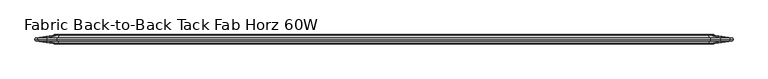
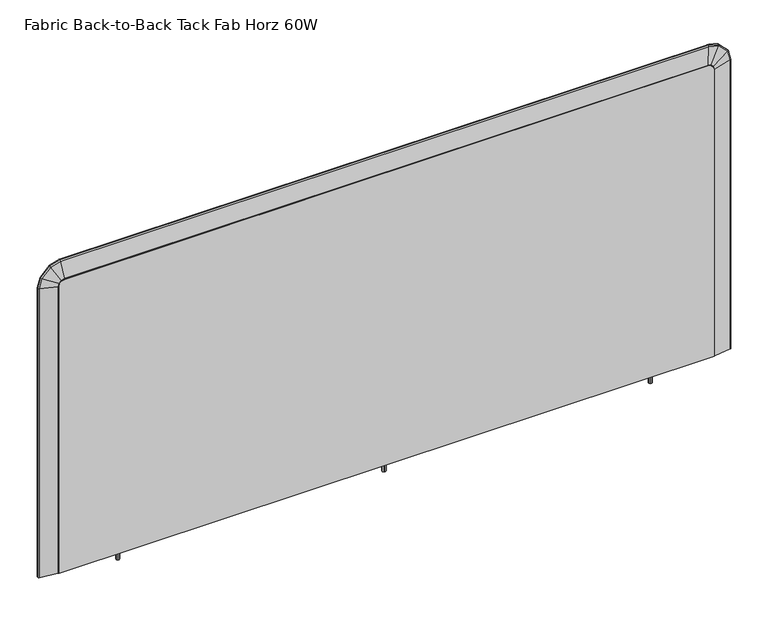
"""IFC4 building model written with IfcOpenShell, lengths in millimetres: furniture geometry, Fabric Back-to-Back Tack Fab Horz 60W."""

from ifc_helpers import new_model, si_unit, frame, origin, place, context, project, spatial, polyline, circle_curve, ellipse_curve, outline, extrude, faceted_brep, source, transform, mapped, element, save
from ifc_brep_helpers import plane_surface, cylinder_surface, advanced_brep


def fabric_back_to_back_tack_fab_horz_60w_10ceb5c6(model_context):
    return source(origin(), model_context, "Body", "SolidModel", [
        faceted_brep([(182.0608047, -24.5352982, 459.8223955), (182.0608047, -38.5848849, 459.8223955), (161.465212, -38.5848849, 459.8223955), (161.465212, -24.5352982, 459.8223955), (161.465212, -24.5352982, 453.564432), (182.0608047, -24.5352982, 453.564432), (161.465212, -38.5848849, 453.564432), (182.0608047, -38.5848849, 453.564432), (41.35374, -21.6312787, 453.564432), (41.35374, -21.6312787, 1111.5510233), (43.0552145, -21.6312787, 1117.9009991), (47.7037408, -21.6312787, 1122.5494799), (54.0537392, -21.6312787, 1124.2509748), (1451.0537158, -21.6312787, 1124.2509748), (1457.4036916, -21.6312787, 1122.5494799), (1462.052245, -21.6312787, 1117.9009991), (1463.75374, -21.6312787, 1111.5510233), (1463.75374, -21.6312787, 453.564432), (41.35374, -41.6655198, 453.564432), (1463.75374, -41.6655198, 453.564432), (1463.75374, -41.6655198, 1111.5510233), (1462.052245, -41.6655198, 1117.9009991), (1457.4036916, -41.6655198, 1122.5494799), (1451.0537158, -41.6655198, 1124.2509748), (54.0537392, -41.6655198, 1124.2509748), (47.7037408, -41.6655198, 1122.5494799), (43.0552145, -41.6655198, 1117.9009991), (41.35374, -41.6655198, 1111.5510233), (765.0618407, -24.5352982, 453.564432), (739.691048, -24.5352982, 453.564432), (739.691048, -38.5848849, 453.564432), (765.0618407, -38.5848849, 453.564432), (1343.4452878, -24.5352982, 453.564432), (1318.0744951, -24.5352982, 453.564432), (1318.0744951, -38.5848849, 453.564432), (1343.4452878, -38.5848849, 453.564432), (739.691048, -24.5352982, 459.8223955), (765.0618407, -24.5352982, 459.8223955), (765.0618407, -38.5848849, 459.8223955), (739.691048, -38.5848849, 459.8223955), (1318.0744951, -24.5352982, 459.8223955), (1343.4452878, -24.5352982, 459.8223955), (1343.4452878, -38.5848849, 459.8223955), (1318.0744951, -38.5848849, 459.8223955)], [[[0, 1, 2, 3]], [[0, 3, 4, 5]], [[3, 2, 6, 4]], [[2, 1, 7, 6]], [[1, 0, 5, 7]], [[8, 9, 10, 11, 12, 13, 14, 15, 16, 17]], [[18, 19, 20, 21, 22, 23, 24, 25, 26, 27]], [[9, 8, 18, 27]], [[10, 9, 27, 26]], [[11, 10, 26, 25]], [[12, 11, 25, 24]], [[13, 12, 24, 23]], [[14, 13, 23, 22]], [[15, 14, 22, 21]], [[16, 15, 21, 20]], [[17, 16, 20, 19]], [[8, 17, 19, 18], [5, 4, 6, 7], [28, 29, 30, 31], [32, 33, 34, 35]], [[36, 37, 38, 39]], [[37, 36, 29, 28]], [[38, 37, 28, 31]], [[39, 38, 31, 30]], [[36, 39, 30, 29]], [[40, 41, 42, 43]], [[41, 40, 33, 32]], [[42, 41, 32, 35]], [[43, 42, 35, 34]], [[40, 43, 34, 33]]]),
        extrude(outline(polyline([(1329.8115069, -27.7980412), (1332.8230782, -28.1945209), (1334.6722204, -30.6043713), (1334.2757329, -33.6159343), (1331.8658873, -35.4650775), (1328.854316, -35.0685977), (1327.0051738, -32.6587474), (1327.4016613, -29.6471844), (1329.8115069, -27.7980412)]), holes=[polyline([(1329.8826636, -28.0636008), (1327.6397553, -29.7846483), (1327.2707337, -32.5875912), (1328.9917799, -34.8305034), (1331.7947306, -35.1995178), (1334.0376389, -33.4784704), (1334.4066605, -30.6755274), (1332.6856143, -28.4326153), (1329.8826636, -28.0636008)])]), frame((0.0, 0.0, 433.5018), z_axis=(0.0, 0.0, 1.0), x_axis=(1.0, 0.0, 0.0)), (0.0, 0.0, 1.0), 26.3205955),
        extrude(outline(polyline([(173.0545058, -27.7980412), (176.0660771, -28.1945209), (177.9152193, -30.6043713), (177.5187318, -33.6159343), (175.1088862, -35.4650775), (172.0973149, -35.0685977), (170.2481727, -32.6587474), (170.6446602, -29.6471844), (173.0545058, -27.7980412)]), holes=[polyline([(173.1256625, -28.0636008), (170.8827542, -29.7846483), (170.5137326, -32.5875912), (172.2347788, -34.8305034), (175.0377295, -35.1995178), (177.2806378, -33.4784704), (177.6496594, -30.6755274), (175.9286132, -28.4326153), (173.1256625, -28.0636008)])]), frame((0.0, 0.0, 433.5018), z_axis=(0.0, 0.0, 1.0), x_axis=(1.0, 0.0, 0.0)), (0.0, 0.0, 1.0), 26.3205955),
        extrude(outline(polyline([(751.4280597, -27.7980412), (754.439631, -28.1945209), (756.2887732, -30.6043713), (755.8922858, -33.6159343), (753.4824401, -35.4650775), (750.4708689, -35.0685977), (748.6217266, -32.6587474), (749.0182141, -29.6471844), (751.4280597, -27.7980412)]), holes=[polyline([(751.4992164, -28.0636008), (749.2563081, -29.7846483), (748.8872866, -32.5875912), (750.6083327, -34.8305034), (753.4112834, -35.1995178), (755.6541917, -33.4784704), (756.0232133, -30.6755274), (754.3021672, -28.4326153), (751.4992164, -28.0636008)])]), frame((0.0, 0.0, 433.5018), z_axis=(0.0, 0.0, 1.0), x_axis=(1.0, 0.0, 0.0)), (0.0, 0.0, 1.0), 26.3205955),
        advanced_brep(
        [(41.35374, -40.3955198, 452.770682), (40.527722, -40.3955198, 452.770682), (39.2303702, -40.3003466, 452.770682), (2.1950955, -34.8371601, 452.770682), (0.2344281, -32.1683735, 452.770682), (1.4359994, -31.9712076, 452.770682), (0.2308623, -31.6483991, 452.770682), (2.1917528, -29.0070421, 452.770682), (39.1963882, -23.5483754, 452.770682), (40.4937399, -23.4532022, 452.770682), (41.35374, -23.4532022, 452.770682), (1463.75374, -40.3955198, 452.770682), (1463.75374, -23.4532022, 452.770682), (1464.6137401, -23.4532022, 452.770682), (1465.9110918, -23.5483754, 452.770682), (1502.9157272, -29.0070421, 452.770682), (1504.8766177, -31.6483991, 452.770682), (1503.6714806, -31.9712076, 452.770682), (1504.8730519, -32.1683735, 452.770682), (1502.9123845, -34.8371601, 452.770682), (1465.8771098, -40.3003466, 452.770682), (1464.579758, -40.3955198, 452.770682), (1463.75374, -40.3955198, 1110.7572733), (1463.75374, -23.4532022, 1110.7572733), (1462.052245, -23.4532022, 1117.1072491), (1457.4036916, -23.4532022, 1121.7557299), (1451.0537158, -23.4532022, 1123.4572248), (54.0537392, -23.4532022, 1123.4572248), (47.7037408, -23.4532022, 1121.7557299), (43.0552145, -23.4532022, 1117.1072491), (41.35374, -23.4532022, 1110.7572733), (40.4937399, -23.4532022, 1110.8704947), (42.2841603, -23.4532022, 1117.5524202), (47.2585733, -23.4532022, 1122.5267846), (53.9405169, -23.4532022, 1124.3172249), (1451.1669385, -23.4532022, 1124.3172249), (1457.848858, -23.4532022, 1122.5267846), (1462.8232979, -23.4532022, 1117.5524225), (1464.6137401, -23.4532022, 1110.870496), (1465.9110918, -23.5483754, 1111.0412979), (1502.9157272, -29.0070421, 1115.9131172), (1504.8766177, -31.6483991, 1116.1712769), (1503.6714806, -31.9712076, 1116.0126154), (1504.8730519, -32.1683735, 1116.1708075), (1502.9123845, -34.8371601, 1115.9126772), (1465.8771098, -40.3003466, 1111.036824), (1464.579758, -40.3955198, 1110.8660221), (1462.7928305, -40.3955198, 1117.5348319), (1457.8312677, -40.3955198, 1122.4963171), (1451.1624646, -40.3955198, 1124.2832429), (53.9449908, -40.3955198, 1124.2832429), (47.2761636, -40.3955198, 1122.4963171), (42.3146278, -40.3955198, 1117.5348297), (40.527722, -40.3955198, 1110.8660209), (41.35374, -40.3955198, 1110.7572733), (43.0552145, -40.3955198, 1117.1072491), (47.7037408, -40.3955198, 1121.7557299), (54.0537392, -40.3955198, 1123.4572248), (1451.0537158, -40.3955198, 1123.4572248), (1457.4036916, -40.3955198, 1121.7557299), (1462.052245, -40.3955198, 1117.1072491), (1463.9864685, -23.5483754, 1118.2239882), (1497.1638272, -29.0070421, 1137.3791963), (1498.9219087, -31.6483991, 1138.3942385), (1497.8414153, -31.9712076, 1137.7704072), (1498.9187118, -32.1683735, 1138.3923927), (1497.1608302, -34.8371601, 1137.377466), (1463.9560011, -40.3003466, 1118.2063976), (1458.5204132, -23.5483754, 1123.689958), (1477.6753219, -29.0070421, 1156.8673969), (1478.6903482, -31.6483991, 1158.6254827), (1478.0665266, -31.9712076, 1157.5449867), (1478.6885024, -32.1683735, 1158.6222858), (1477.6735916, -34.8371601, 1156.8643999), (1458.5028229, -40.3003466, 1123.6594906), (1451.3377404, -23.5483754, 1125.6145767), (1456.2095597, -29.0070421, 1162.619212), (1456.4677194, -31.6483991, 1164.5801025), (1456.3090579, -31.9712076, 1163.3749655), (1456.46725, -32.1683735, 1164.5765368), (1456.2091197, -34.8371601, 1162.6158693), (1451.3332665, -40.3003466, 1125.5805946), (53.7697156, -23.5483754, 1125.6145767), (48.8979131, -29.0070421, 1162.619212), (48.6397543, -31.6483991, 1164.5801025), (48.7984152, -31.9712076, 1163.3749655), (48.6402238, -32.1683735, 1164.5765368), (48.8983532, -34.8371601, 1162.6158693), (53.7741895, -40.3003466, 1125.5805946), (46.5870166, -23.5483754, 1123.6899579), (27.4320643, -29.0070421, 1156.8673943), (26.4170356, -31.6483991, 1158.62548), (27.0408586, -31.9712076, 1157.544984), (26.4188814, -32.1683735, 1158.622283), (27.4337946, -34.8371601, 1156.8643973), (46.6046069, -40.3003466, 1123.6594904), (41.1209877, -23.5483754, 1118.2239824), (7.9435719, -29.0070421, 1137.3790923), (6.1854873, -31.6483991, 1138.3941293), (7.2659826, -31.9712076, 1137.7703012), (6.1886843, -32.1683735, 1138.3922835), (7.9465689, -34.8371601, 1137.377362), (41.1514552, -40.3003466, 1118.2063919), (39.1963882, -23.5483754, 1111.0412946), (2.1917528, -29.0070421, 1115.9130574), (0.2308623, -31.6483991, 1116.1712141), (1.4359994, -31.9712076, 1116.0125545), (0.2344281, -32.1683735, 1116.1707447), (2.1950955, -34.8371601, 1115.9126174), (39.2303702, -40.3003466, 1111.0368208)],
        [
            (0, 1),
            (1, 2, circle_curve(frame((40.527722, -31.5055198, 452.770682), z_axis=(0.0, 0.0, -1.0), x_axis=(1.0, 0.0, 0.0)), 8.89)),
            (2, 3),
            (3, 4, circle_curve(frame((2.5350157, -32.5328209, 452.770682), z_axis=(0.0, 0.0, -1.0), x_axis=(1.0, 0.0, 0.0)), 2.3292757)),
            (4, 5),
            (5, 6),
            (6, 7, circle_curve(frame((2.5311018, -31.3075093, 452.770682), z_axis=(0.0, 0.0, -1.0), x_axis=(1.0, 0.0, 0.0)), 2.3253618)),
            (7, 8),
            (8, 9, circle_curve(frame((40.4937399, -32.3432022, 452.770682), z_axis=(0.0, 0.0, -1.0), x_axis=(1.0, 0.0, 0.0)), 8.89)),
            (9, 10),
            (10, 0),
            (11, 12),
            (12, 13),
            (13, 14, circle_curve(frame((1464.6137401, -32.3432022, 452.770682), z_axis=(0.0, 0.0, -1.0), x_axis=(-1.0, 0.0, 0.0)), 8.89)),
            (14, 15),
            (15, 16, circle_curve(frame((1502.5763782, -31.3075093, 452.770682), z_axis=(0.0, 0.0, -1.0), x_axis=(-1.0, 0.0, 0.0)), 2.3253618)),
            (16, 17),
            (17, 18),
            (18, 19, circle_curve(frame((1502.5724643, -32.5328209, 452.770682), z_axis=(0.0, 0.0, -1.0), x_axis=(-1.0, 0.0, 0.0)), 2.3292757)),
            (19, 20),
            (20, 21, circle_curve(frame((1464.579758, -31.5055198, 452.770682), z_axis=(0.0, 0.0, -1.0), x_axis=(-1.0, 0.0, 0.0)), 8.89)),
            (21, 11),
            (11, 22),
            (22, 23),
            (23, 12),
            (23, 24),
            (24, 25),
            (25, 26),
            (26, 27),
            (27, 28),
            (28, 29),
            (29, 30),
            (30, 10),
            (9, 31),
            (31, 32),
            (32, 33),
            (33, 34),
            (34, 35),
            (35, 36),
            (36, 37),
            (37, 38),
            (38, 13),
            (38, 39, ellipse_curve(frame((1464.6137401, -32.3432022, 1110.870496), z_axis=(0.13052794748771984, 0.0, -0.9914446302868573), x_axis=(-0.9914446302868571, 0.0, -0.13052794748771981)), 8.9667135, 8.89)),
            (39, 14),
            (39, 40),
            (40, 15),
            (40, 41, ellipse_curve(frame((1502.5763782, -31.3075093, 1115.8684405), z_axis=(0.13052794748771984, 0.0, -0.9914446302868573), x_axis=(-0.9914446302868571, 0.0, -0.13052794748771981)), 2.3454278, 2.3253618)),
            (41, 16),
            (41, 42),
            (42, 17),
            (42, 43),
            (43, 18),
            (43, 44, ellipse_curve(frame((1502.5724643, -32.5328209, 1115.8679252), z_axis=(0.13052794748771984, 0.0, -0.9914446302868573), x_axis=(-0.9914446302868571, 0.0, -0.13052794748771981)), 2.3493754, 2.3292757)),
            (44, 19),
            (44, 45),
            (45, 20),
            (45, 46, ellipse_curve(frame((1464.579758, -31.5055198, 1110.8660221), z_axis=(0.13052794748771984, 0.0, -0.9914446302868573), x_axis=(-0.9914446302868571, 0.0, -0.13052794748771981)), 8.9667135, 8.89)),
            (46, 21),
            (46, 47),
            (47, 48),
            (48, 49),
            (49, 50),
            (50, 51),
            (51, 52),
            (52, 53),
            (53, 1),
            (0, 54),
            (54, 55),
            (55, 56),
            (56, 57),
            (57, 58),
            (58, 59),
            (59, 60),
            (60, 22),
            (60, 24),
            (37, 61, ellipse_curve(frame((1462.8232979, -32.3432022, 1117.5524225), z_axis=(0.5000049178459374, 0.0, -0.866022564446145), x_axis=(-0.8660225644461449, 0.0, -0.5000049178459376)), 9.2036105, 8.89)),
            (61, 39),
            (61, 62),
            (62, 40),
            (62, 63, ellipse_curve(frame((1496.859576, -31.3075093, 1137.2035345), z_axis=(0.5000049178459374, 0.0, -0.866022564446145), x_axis=(-0.8660225644461449, 0.0, -0.5000049178459376)), 2.407393, 2.3253618)),
            (63, 41),
            (63, 64),
            (64, 42),
            (64, 65),
            (65, 43),
            (65, 66, ellipse_curve(frame((1496.856067, -32.5328209, 1137.2015086), z_axis=(0.5000049178459374, 0.0, -0.866022564446145), x_axis=(-0.8660225644461449, 0.0, -0.5000049178459376)), 2.411445, 2.3292757)),
            (66, 44),
            (66, 67),
            (67, 45),
            (67, 47, ellipse_curve(frame((1462.7928305, -31.5055198, 1117.5348319), z_axis=(0.5000049178459374, 0.0, -0.866022564446145), x_axis=(-0.8660225644461449, 0.0, -0.5000049178459376)), 9.2036105, 8.89)),
            (59, 25),
            (36, 68, ellipse_curve(frame((1457.848858, -32.3432022, 1122.5267846), z_axis=(0.8660264726874803, 0.0, -0.4999981486010532), x_axis=(-0.49999814860105307, 0.0, -0.8660264726874802)), 9.2035912, 8.89)),
            (68, 61),
            (68, 69),
            (69, 62),
            (69, 70, ellipse_curve(frame((1477.4996629, -31.3075093, 1156.5631451), z_axis=(0.8660264726874803, 0.0, -0.4999981486010532), x_axis=(-0.49999814860105307, 0.0, -0.8660264726874802)), 2.407388, 2.3253618)),
            (70, 63),
            (70, 71),
            (71, 64),
            (71, 72),
            (72, 65),
            (72, 73, ellipse_curve(frame((1477.4976369, -32.5328209, 1156.559636), z_axis=(0.8660264726874803, 0.0, -0.4999981486010532), x_axis=(-0.49999814860105307, 0.0, -0.8660264726874802)), 2.4114399, 2.3292757)),
            (73, 66),
            (73, 74),
            (74, 67),
            (74, 48, ellipse_curve(frame((1457.8312677, -31.5055198, 1122.4963171), z_axis=(0.8660264726874803, 0.0, -0.4999981486010532), x_axis=(-0.49999814860105307, 0.0, -0.8660264726874802)), 9.2035912, 8.89)),
            (58, 26),
            (35, 75, ellipse_curve(frame((1451.1669385, -32.3432022, 1124.3172249), z_axis=(0.9914446302854739, 0.0, -0.13052794749822796), x_axis=(-0.13052794749823027, 0.0, -0.9914446302854736)), 8.9667135, 8.89)),
            (75, 68),
            (75, 76),
            (76, 69),
            (76, 77, ellipse_curve(frame((1456.164883, -31.3075093, 1162.2798631), z_axis=(0.9914446302854739, 0.0, -0.13052794749822796), x_axis=(-0.13052794749823027, 0.0, -0.9914446302854736)), 2.3454278, 2.3253618)),
            (77, 70),
            (77, 78),
            (78, 71),
            (78, 79),
            (79, 72),
            (79, 80, ellipse_curve(frame((1456.1643677, -32.5328209, 1162.2759492), z_axis=(0.9914446302854739, 0.0, -0.13052794749822796), x_axis=(-0.13052794749823027, 0.0, -0.9914446302854736)), 2.3493754, 2.3292757)),
            (80, 73),
            (80, 81),
            (81, 74),
            (81, 49, ellipse_curve(frame((1451.1624646, -31.5055198, 1124.2832429), z_axis=(0.9914446302854739, 0.0, -0.13052794749822796), x_axis=(-0.13052794749823027, 0.0, -0.9914446302854736)), 8.9667135, 8.89)),
            (57, 27),
            (34, 82, ellipse_curve(frame((53.9405169, -32.3432022, 1124.3172249), z_axis=(0.9914446886366662, 0.0, 0.13052750428221654), x_axis=(0.13052750428221557, 0.0, -0.9914446886366662)), 8.966713, 8.89)),
            (82, 75),
            (82, 83),
            (83, 76),
            (83, 84, ellipse_curve(frame((48.9425897, -31.3075093, 1162.2798631), z_axis=(0.9914446886366662, 0.0, 0.13052750428221654), x_axis=(0.13052750428221557, 0.0, -0.9914446886366662)), 2.3454276, 2.3253618)),
            (84, 77),
            (84, 85),
            (85, 78),
            (85, 86),
            (86, 79),
            (86, 87, ellipse_curve(frame((48.943105, -32.5328209, 1162.2759492), z_axis=(0.9914446886366662, 0.0, 0.13052750428221654), x_axis=(0.13052750428221557, 0.0, -0.9914446886366662)), 2.3493753, 2.3292757)),
            (87, 80),
            (87, 88),
            (88, 81),
            (88, 50, ellipse_curve(frame((53.9449908, -31.5055198, 1124.2832429), z_axis=(0.9914446886366662, 0.0, 0.13052750428221654), x_axis=(0.13052750428221557, 0.0, -0.9914446886366662)), 8.966713, 8.89)),
            (56, 28),
            (33, 89, ellipse_curve(frame((47.2585733, -32.3432022, 1122.5267846), z_axis=(0.8660259634188124, 0.0, 0.4999990306835782), x_axis=(0.4999990306835778, 0.0, -0.8660259634188127)), 9.203596, 8.89)),
            (89, 82),
            (89, 90),
            (90, 83),
            (90, 91, ellipse_curve(frame((27.6077237, -31.3075093, 1156.5631424), z_axis=(0.8660259634188124, 0.0, 0.4999990306835782), x_axis=(0.4999990306835778, 0.0, -0.8660259634188127)), 2.4073892, 2.3253618)),
            (91, 84),
            (91, 92),
            (92, 85),
            (92, 93),
            (93, 86),
            (93, 94, ellipse_curve(frame((27.6097497, -32.5328209, 1156.5596333), z_axis=(0.8660259634188124, 0.0, 0.4999990306835782), x_axis=(0.4999990306835778, 0.0, -0.8660259634188127)), 2.4114412, 2.3292757)),
            (94, 87),
            (94, 95),
            (95, 88),
            (95, 51, ellipse_curve(frame((47.2761636, -31.5055198, 1122.4963171), z_axis=(0.8660259634188124, 0.0, 0.4999990306835782), x_axis=(0.4999990306835778, 0.0, -0.8660259634188127)), 9.203596, 8.89)),
            (55, 29),
            (32, 96, ellipse_curve(frame((42.2841603, -32.3432022, 1117.5524202), z_axis=(0.5000023482671835, 0.0, 0.8660240480075033), x_axis=(0.8660240480075028, 0.0, -0.5000023482671844)), 9.2036106, 8.89)),
            (96, 89),
            (96, 97),
            (97, 90),
            (97, 98, ellipse_curve(frame((8.2478236, -31.3075093, 1137.2034315), z_axis=(0.5000023482671835, 0.0, 0.8660240480075033), x_axis=(0.8660240480075028, 0.0, -0.5000023482671844)), 2.4073931, 2.3253618)),
            (98, 91),
            (98, 99),
            (99, 92),
            (99, 100),
            (100, 93),
            (100, 101, ellipse_curve(frame((8.2513326, -32.5328209, 1137.2014055), z_axis=(0.5000023482671835, 0.0, 0.8660240480075033), x_axis=(0.8660240480075028, 0.0, -0.5000023482671844)), 2.411445, 2.3292757)),
            (101, 94),
            (101, 102),
            (102, 95),
            (102, 52, ellipse_curve(frame((42.3146278, -31.5055198, 1117.5348297), z_axis=(0.5000023482671835, 0.0, 0.8660240480075033), x_axis=(0.8660240480075028, 0.0, -0.5000023482671844)), 9.2036106, 8.89)),
            (54, 30),
            (31, 103, ellipse_curve(frame((40.4937399, -32.3432022, 1110.8704947), z_axis=(0.13052645881328245, 0.0, 0.9914448262761093), x_axis=(0.9914448262761093, 0.0, -0.13052645881328306)), 8.9667118, 8.89)),
            (103, 96),
            (103, 104),
            (104, 97),
            (104, 105, ellipse_curve(frame((2.5311018, -31.3075093, 1115.8683812), z_axis=(0.13052645881328245, 0.0, 0.9914448262761093), x_axis=(0.9914448262761093, 0.0, -0.13052645881328306)), 2.3454273, 2.3253618)),
            (105, 98),
            (105, 106),
            (106, 99),
            (106, 107),
            (107, 100),
            (107, 108, ellipse_curve(frame((2.5350157, -32.5328209, 1115.8678659), z_axis=(0.13052645881328245, 0.0, 0.9914448262761093), x_axis=(0.9914448262761093, 0.0, -0.13052645881328306)), 2.349375, 2.3292757)),
            (108, 101),
            (108, 109),
            (109, 102),
            (109, 53, ellipse_curve(frame((40.527722, -31.5055198, 1110.8660209), z_axis=(0.13052645881328245, 0.0, 0.9914448262761093), x_axis=(0.9914448262761093, 0.0, -0.13052645881328306)), 8.9667118, 8.89)),
            (8, 103),
            (7, 104),
            (6, 105),
            (5, 106),
            (4, 107),
            (3, 108),
            (2, 109),
        ],
        [
            plane_surface(frame((41.35374, -22.3842497, 452.770682), z_axis=(0.0, 0.0, -1.0), x_axis=(0.0, -1.0, 0.0))),
            plane_surface(frame((1463.75374, -22.3842497, 452.770682), z_axis=(0.0, 0.0, -1.0), x_axis=(0.0, -1.0, 0.0))),
            plane_surface(frame((1463.75374, -40.3955198, 452.770682), z_axis=(-1.0, 0.0, 0.0), x_axis=(0.0, 0.0, 1.0))),
            plane_surface(frame((1463.75374, -23.4532022, 452.770682), z_axis=(0.0, 1.0, 0.0), x_axis=(0.0, 0.0, 1.0))),
            cylinder_surface(frame((1464.6137401, -32.3432022, 452.770682), z_axis=(0.0, 0.0, -1.0), x_axis=(-1.0, 0.0, 0.0)), 8.89),
            plane_surface(frame((1465.9110918, -23.5483754, 452.770682), z_axis=(0.14593382959754855, 0.989294353253365, 0.0), x_axis=(0.0, 0.0, 1.0))),
            cylinder_surface(frame((1502.5763782, -31.3075093, 452.770682), z_axis=(0.0, 0.0, -1.0), x_axis=(-1.0, 0.0, 0.0)), 2.3253618),
            plane_surface(frame((1504.8766177, -31.6483991, 452.770682), z_axis=(0.2587390196457306, -0.9659472654926697, 0.0), x_axis=(0.0, 0.0, 1.0))),
            plane_surface(frame((1503.6714806, -31.9712076, 452.770682), z_axis=(0.16192456545824982, 0.9868031389801905, 0.0), x_axis=(0.0, 0.0, 1.0))),
            cylinder_surface(frame((1502.5724643, -32.5328209, 452.770682), z_axis=(0.0, 0.0, -1.0), x_axis=(-1.0, 0.0, 0.0)), 2.3292757),
            plane_surface(frame((1502.9123845, -34.8371601, 452.770682), z_axis=(0.14593382959753975, -0.9892943532533662, 0.0), x_axis=(0.0, 0.0, 1.0))),
            cylinder_surface(frame((1464.579758, -31.5055198, 452.770682), z_axis=(0.0, 0.0, -1.0), x_axis=(-1.0, 0.0, 0.0)), 8.89),
            plane_surface(frame((1464.579758, -40.3955198, 452.770682), z_axis=(0.0, -1.0, 0.0), x_axis=(0.0, 0.0, 1.0))),
            plane_surface(frame((1463.75374, -40.3955198, 1110.7572733), z_axis=(-0.9659249098492917, 0.0, -0.2588224652781086), x_axis=(-0.2588224652781086, 0.0, 0.9659249098492917))),
            cylinder_surface(frame((1464.5844355, -32.3432022, 1110.9798606), z_axis=(0.2588224652781293, 0.0, -0.9659249098492861), x_axis=(-0.9659249098492861, 0.0, -0.2588224652781293)), 8.89),
            plane_surface(frame((1465.9110918, -23.5483754, 1111.0412979), z_axis=(0.14096112119797327, 0.9892943532533651, 0.03777095354391726), x_axis=(-0.2588224652781301, 0.0, 0.965924909849286))),
            cylinder_surface(frame((1501.2534933, -31.3075093, 1120.8054442), z_axis=(0.2588224652781293, 0.0, -0.9659249098492861), x_axis=(-0.9659249098492861, 0.0, -0.2588224652781293)), 2.3253618),
            plane_surface(frame((1504.8766177, -31.6483991, 1116.1712769), z_axis=(0.24992246422579498, -0.96594726549267, 0.06696747092835308), x_axis=(-0.25882246527813013, 0.0, 0.9659249098492859))),
            plane_surface(frame((1503.6714806, -31.9712076, 1116.0126154), z_axis=(0.15640697129264508, 0.9868031389801905, 0.041909715220994744), x_axis=(-0.2588224652781263, 0.0, 0.965924909849287))),
            cylinder_surface(frame((1501.2497128, -32.5328209, 1120.8044312), z_axis=(0.2588224652781293, 0.0, -0.9659249098492861), x_axis=(-0.9659249098492861, 0.0, -0.2588224652781293)), 2.3292757),
            plane_surface(frame((1502.9123845, -34.8371601, 1115.9126772), z_axis=(0.14096112119796478, -0.9892943532533663, 0.03777095354391196), x_axis=(-0.2588224652781257, 0.0, 0.9659249098492871))),
            cylinder_surface(frame((1464.5516114, -31.5055198, 1110.9710653), z_axis=(0.2588224652781293, 0.0, -0.9659249098492861), x_axis=(-0.9659249098492861, 0.0, -0.2588224652781293)), 8.89),
            plane_surface(frame((1462.052245, -40.3955198, 1117.1072491), z_axis=(-0.707101254086499, 0.0, -0.7071123082433938), x_axis=(-0.7071123082433938, 0.0, 0.707101254086499))),
            cylinder_surface(frame((1462.6603522, -32.3432022, 1117.7153657), z_axis=(0.707112308243394, 0.0, -0.7071012540864988), x_axis=(-0.7071012540864988, 0.0, -0.707112308243394)), 8.89),
            plane_surface(frame((1463.9864685, -23.5483754, 1118.2239882), z_axis=(0.10318999392207098, 0.9892943532533648, 0.10319160709752329), x_axis=(-0.7071123082434012, 0.0, 0.7071012540864917))),
            cylinder_surface(frame((1489.5037812, -31.3075093, 1144.5592144), z_axis=(0.707112308243394, 0.0, -0.7071012540864988), x_axis=(-0.7071012540864988, 0.0, -0.707112308243394)), 2.3253618),
            plane_surface(frame((1498.9219087, -31.6483991, 1138.3942385), z_axis=(0.18295468527260708, -0.9659472654926701, 0.1829575454143243), x_axis=(-0.7071123082433954, 0.0, 0.7071012540864974))),
            plane_surface(frame((1497.8414153, -31.9712076, 1137.7704072), z_axis=(0.11449706330293918, 0.9868031389801903, 0.11449885324249381), x_axis=(-0.7071123082433963, 0.0, 0.7071012540864965))),
            cylinder_surface(frame((1489.5010137, -32.5328209, 1144.5564468), z_axis=(0.707112308243394, 0.0, -0.7071012540864988), x_axis=(-0.7071012540864988, 0.0, -0.707112308243394)), 2.3292757),
            plane_surface(frame((1497.1608302, -34.8371601, 1137.377466), z_axis=(0.10318999392206564, -0.9892943532533665, 0.10319160709751311), x_axis=(-0.7071123082433958, 0.0, 0.707101254086497))),
            cylinder_surface(frame((1462.6363234, -31.5055198, 1117.6913366), z_axis=(0.707112308243394, 0.0, -0.7071012540864988), x_axis=(-0.7071012540864988, 0.0, -0.707112308243394)), 8.89),
            plane_surface(frame((1457.4036916, -40.3955198, 1121.7557299), z_axis=(-0.25882246529861314, 0.0, -0.9659249098437975), x_axis=(-0.9659249098437975, 0.0, 0.25882246529861314))),
            cylinder_surface(frame((1457.6262789, -32.3432022, 1122.5864254), z_axis=(0.9659249098437996, 0.0, -0.25882246529860514), x_axis=(-0.25882246529860514, 0.0, -0.9659249098437996)), 8.89),
            plane_surface(frame((1458.5204132, -23.5483754, 1123.689958), z_axis=(0.037770953546902714, 0.9892943532533649, 0.14096112119717438), x_axis=(-0.9659249098438029, 0.0, 0.25882246529859326))),
            cylinder_surface(frame((1467.4518625, -31.3075093, 1159.2554832), z_axis=(0.9659249098437996, 0.0, -0.25882246529860514), x_axis=(-0.25882246529860514, 0.0, -0.9659249098437996)), 2.3253618),
            plane_surface(frame((1478.6903482, -31.6483991, 1158.6254827), z_axis=(0.06696747093365209, -0.9659472654926703, 0.24992246422437409), x_axis=(-0.9659249098437994, 0.0, 0.258822465298606))),
            plane_surface(frame((1478.0665266, -31.9712076, 1157.5449867), z_axis=(0.04190971522431074, 0.9868031389801901, 0.1564069712917576), x_axis=(-0.9659249098437983, 0.0, 0.2588224652986099))),
            cylinder_surface(frame((1467.4508495, -32.5328209, 1159.2517027), z_axis=(0.9659249098437996, 0.0, -0.25882246529860514), x_axis=(-0.25882246529860514, 0.0, -0.9659249098437996)), 2.3292757),
            plane_surface(frame((1477.6735916, -34.8371601, 1156.8643999), z_axis=(0.03777095354690159, -0.9892943532533665, 0.14096112119716264), x_axis=(-0.9659249098437993, 0.0, 0.2588224652986062))),
            cylinder_surface(frame((1457.6174836, -31.5055198, 1122.5536012), z_axis=(0.9659249098437996, 0.0, -0.25882246529860514), x_axis=(-0.25882246529860514, 0.0, -0.9659249098437996)), 8.89),
            plane_surface(frame((1451.0537158, -40.3955198, 1123.4572248), z_axis=(0.0, 0.0, -1.0), x_axis=(-1.0, 0.0, 0.0))),
            cylinder_surface(frame((1451.0537158, -32.3432022, 1124.3172249), z_axis=(1.0, 0.0, 0.0), x_axis=(0.0, 0.0, -1.0)), 8.89),
            plane_surface(frame((1451.3377404, -23.5483754, 1125.6145767), z_axis=(0.0, 0.9892943532533649, 0.14593382959755002), x_axis=(-1.0, 0.0, 0.0))),
            cylinder_surface(frame((1451.0537158, -31.3075093, 1162.2798631), z_axis=(1.0, 0.0, 0.0), x_axis=(0.0, 0.0, -1.0)), 2.3253618),
            plane_surface(frame((1456.4677194, -31.6483991, 1164.5801025), z_axis=(0.0, -0.9659472654926702, 0.2587390196457293), x_axis=(-1.0, 0.0, 0.0))),
            plane_surface(frame((1456.3090579, -31.9712076, 1163.3749655), z_axis=(0.0, 0.9868031389801902, 0.16192456545825132), x_axis=(-1.0, 0.0, 0.0))),
            cylinder_surface(frame((1451.0537158, -32.5328209, 1162.2759492), z_axis=(1.0, 0.0, 0.0), x_axis=(0.0, 0.0, -1.0)), 2.3292757),
            plane_surface(frame((1456.2091197, -34.8371601, 1162.6158693), z_axis=(0.0, -0.9892943532533666, 0.1459338295975384), x_axis=(-1.0, 0.0, 0.0))),
            cylinder_surface(frame((1451.0537158, -31.5055198, 1124.2832429), z_axis=(1.0, 0.0, 0.0), x_axis=(0.0, 0.0, -1.0)), 8.89),
            plane_surface(frame((54.0537392, -40.3955198, 1123.4572248), z_axis=(0.2588216016832022, 0.0, -0.9659251412517131), x_axis=(-0.9659251412517131, 0.0, -0.2588216016832022))),
            cylinder_surface(frame((53.8311526, -32.3432022, 1124.2879206), z_axis=(0.965925141251712, 0.0, 0.25882160168320617), x_axis=(0.25882160168320617, 0.0, -0.965925141251712)), 8.89),
            plane_surface(frame((53.7697156, -23.5483754, 1125.6145767), z_axis=(-0.037770827516202844, 0.989294353253365, 0.1409611549674165), x_axis=(-0.9659251412517105, 0.0, -0.25882160168321217))),
            cylinder_surface(frame((44.0056018, -31.3075093, 1160.9569872), z_axis=(0.965925141251712, 0.0, 0.25882160168320617), x_axis=(0.25882160168320617, 0.0, -0.965925141251712)), 2.3253618),
            plane_surface(frame((48.6397543, -31.6483991, 1164.5801025), z_axis=(-0.06696724748264958, -0.9659472654926702, 0.24992252409863075), x_axis=(-0.9659251412517127, 0.0, -0.25882160168320373))),
            plane_surface(frame((48.7984152, -31.9712076, 1163.3749655), z_axis=(-0.04190957538376139, 0.9868031389801901, 0.1564070087623836), x_axis=(-0.9659251412517127, 0.0, -0.2588216016832039))),
            cylinder_surface(frame((44.0066148, -32.5328209, 1160.9532066), z_axis=(0.965925141251712, 0.0, 0.25882160168320617), x_axis=(0.25882160168320617, 0.0, -0.965925141251712)), 2.3292757),
            plane_surface(frame((48.8983532, -34.8371601, 1162.6158693), z_axis=(-0.037770827516198896, -0.9892943532533666, 0.14096115496740555), x_axis=(-0.9659251412517121, 0.0, -0.2588216016832057))),
            cylinder_surface(frame((53.8399479, -31.5055198, 1124.2550964), z_axis=(0.965925141251712, 0.0, 0.25882160168320617), x_axis=(0.25882160168320617, 0.0, -0.965925141251712)), 8.89),
            plane_surface(frame((47.7037408, -40.3955198, 1121.7557299), z_axis=(0.707103326743921, 0.0, -0.7071102356122982), x_axis=(-0.7071102356122982, 0.0, -0.707103326743921))),
            cylinder_surface(frame((47.0956318, -32.3432022, 1122.3638447), z_axis=(0.7071102356123056, 0.0, 0.7071033267439135), x_axis=(0.7071033267439135, 0.0, -0.7071102356123056)), 8.89),
            plane_surface(frame((46.5870166, -23.5483754, 1123.6899579), z_axis=(-0.10319029639290667, 0.9892943532533649, 0.10319130463052953), x_axis=(-0.7071102356123011, 0.0, -0.707103326743918))),
            cylinder_surface(frame((20.2521241, -31.3075093, 1149.2076147), z_axis=(0.7071102356123056, 0.0, 0.7071033267439135), x_axis=(0.7071033267439135, 0.0, -0.7071102356123056)), 2.3253618),
            plane_surface(frame((26.4170356, -31.6483991, 1158.62548), z_axis=(-0.1829552215499556, -0.9659472654926701, 0.1829570091437875), x_axis=(-0.7071102356123035, 0.0, -0.7071033267439157))),
            plane_surface(frame((27.0408586, -31.9712076, 1157.544984), z_axis=(-0.11449739891709142, 0.9868031389801903, 0.11449851763260449), x_axis=(-0.7071102356123043, 0.0, -0.7071033267439147))),
            cylinder_surface(frame((20.2548916, -32.5328209, 1149.2048472), z_axis=(0.7071102356123056, 0.0, 0.7071033267439135), x_axis=(0.7071033267439135, 0.0, -0.7071102356123056)), 2.3292757),
            plane_surface(frame((27.4337946, -34.8371601, 1156.8643973), z_axis=(-0.10319029639289998, -0.9892943532533665, 0.1031913046305207), x_axis=(-0.7071102356123049, 0.0, -0.7071033267439142))),
            cylinder_surface(frame((47.1196607, -31.5055198, 1122.3398157), z_axis=(0.7071102356123056, 0.0, 0.7071033267439135), x_axis=(0.7071033267439135, 0.0, -0.7071102356123056)), 8.89),
            plane_surface(frame((43.0552145, -40.3955198, 1117.1072491), z_axis=(0.965925687099329, 0.0, -0.25881956456514094), x_axis=(-0.25881956456514094, 0.0, -0.965925687099329))),
            cylinder_surface(frame((42.2245184, -32.3432022, 1117.3298339), z_axis=(0.25881956456514155, 0.0, 0.965925687099329), x_axis=(0.965925687099329, 0.0, -0.25881956456514155)), 8.89),
            plane_surface(frame((41.1209877, -23.5483754, 1118.2239824), z_axis=(-0.1409612346250488, 0.9892943532533649, 0.03777053023176178), x_axis=(-0.258819564565138, 0.0, -0.9659256870993298))),
            cylinder_surface(frame((5.555431, -31.3075093, 1127.1553074), z_axis=(0.25881956456514155, 0.0, 0.965925687099329), x_axis=(0.965925687099329, 0.0, -0.25881956456514155)), 2.3253618),
            plane_surface(frame((6.1854873, -31.6483991, 1138.3941293), z_axis=(-0.2499226653307089, -0.9659472654926698, 0.06696672040071916), x_axis=(-0.2588195645651441, 0.0, -0.9659256870993281))),
            plane_surface(frame((7.2659826, -31.9712076, 1137.7703012), z_axis=(-0.15640709714852025, 0.9868031389801905, 0.04190924552430577), x_axis=(-0.258819564565143, 0.0, -0.9659256870993285))),
            cylinder_surface(frame((5.5592116, -32.5328209, 1127.1542944), z_axis=(0.25881956456514155, 0.0, 0.965925687099329), x_axis=(0.965925687099329, 0.0, -0.25881956456514155)), 2.3292757),
            plane_surface(frame((7.9465689, -34.8371601, 1137.377362), z_axis=(-0.14096123462503984, -0.9892943532533663, 0.03777053023175778), x_axis=(-0.2588195645651427, 0.0, -0.9659256870993286))),
            cylinder_surface(frame((42.2573425, -31.5055198, 1117.3210387), z_axis=(0.25881956456514155, 0.0, 0.965925687099329), x_axis=(0.965925687099329, 0.0, -0.25881956456514155)), 8.89),
            plane_surface(frame((41.35374, -40.3955198, 1110.7572733), z_axis=(1.0, 0.0, 0.0), x_axis=(0.0, 0.0, -1.0))),
            cylinder_surface(frame((40.4937399, -32.3432022, 1110.7572733), z_axis=(0.0, 0.0, 1.0), x_axis=(1.0, 0.0, 0.0)), 8.89),
            plane_surface(frame((39.1963882, -23.5483754, 1111.0412946), z_axis=(-0.14593382959754864, 0.9892943532533651, 0.0), x_axis=(0.0, 0.0, -1.0))),
            cylinder_surface(frame((2.5311018, -31.3075093, 1110.7572733), z_axis=(0.0, 0.0, 1.0), x_axis=(1.0, 0.0, 0.0)), 2.3253618),
            plane_surface(frame((0.2308623, -31.6483991, 1116.1712141), z_axis=(-0.2587390196457307, -0.9659472654926697, 0.0), x_axis=(0.0, 0.0, -1.0))),
            plane_surface(frame((1.4359994, -31.9712076, 1116.0125545), z_axis=(-0.1619245654582499, 0.9868031389801905, 0.0), x_axis=(0.0, 0.0, -1.0))),
            cylinder_surface(frame((2.5350157, -32.5328209, 1110.7572733), z_axis=(0.0, 0.0, 1.0), x_axis=(1.0, 0.0, 0.0)), 2.3292757),
            plane_surface(frame((2.1950955, -34.8371601, 1115.9126174), z_axis=(-0.14593382959753975, -0.9892943532533662, 0.0), x_axis=(0.0, 0.0, -1.0))),
            cylinder_surface(frame((40.527722, -31.5055198, 1110.7572733), z_axis=(0.0, 0.0, 1.0), x_axis=(1.0, 0.0, 0.0)), 8.89),
        ],
        [
            (0, [[1, 2, 3, 4, 5, 6, 7, 8, 9, 10, 11]]),
            (1, [[12, 13, 14, 15, 16, 17, 18, 19, 20, 21, 22]]),
            (2, [[-12, 23, 24, 25]]),
            (3, [[-13, -25, 26, 27, 28, 29, 30, 31, 32, 33, -10, 34, 35, 36, 37, 38, 39, 40, 41, 42]]),
            (4, [[-14, -42, 43, 44]]),
            (5, [[-15, -44, 45, 46]]),
            (6, [[-16, -46, 47, 48]]),
            (7, [[-17, -48, 49, 50]]),
            (8, [[-18, -50, 51, 52]]),
            (9, [[-19, -52, 53, 54]]),
            (10, [[-20, -54, 55, 56]]),
            (11, [[-21, -56, 57, 58]]),
            (12, [[-22, -58, 59, 60, 61, 62, 63, 64, 65, 66, -1, 67, 68, 69, 70, 71, 72, 73, 74, -23]]),
            (13, [[-24, -74, 75, -26]]),
            (14, [[-43, -41, 76, 77]]),
            (15, [[-45, -77, 78, 79]]),
            (16, [[-47, -79, 80, 81]]),
            (17, [[-49, -81, 82, 83]]),
            (18, [[-51, -83, 84, 85]]),
            (19, [[-53, -85, 86, 87]]),
            (20, [[-55, -87, 88, 89]]),
            (21, [[-57, -89, 90, -59]]),
            (22, [[-75, -73, 91, -27]]),
            (23, [[-76, -40, 92, 93]]),
            (24, [[-78, -93, 94, 95]]),
            (25, [[-80, -95, 96, 97]]),
            (26, [[-82, -97, 98, 99]]),
            (27, [[-84, -99, 100, 101]]),
            (28, [[-86, -101, 102, 103]]),
            (29, [[-88, -103, 104, 105]]),
            (30, [[-90, -105, 106, -60]]),
            (31, [[-91, -72, 107, -28]]),
            (32, [[-92, -39, 108, 109]]),
            (33, [[-94, -109, 110, 111]]),
            (34, [[-96, -111, 112, 113]]),
            (35, [[-98, -113, 114, 115]]),
            (36, [[-100, -115, 116, 117]]),
            (37, [[-102, -117, 118, 119]]),
            (38, [[-104, -119, 120, 121]]),
            (39, [[-106, -121, 122, -61]]),
            (40, [[-107, -71, 123, -29]]),
            (41, [[-108, -38, 124, 125]]),
            (42, [[-110, -125, 126, 127]]),
            (43, [[-112, -127, 128, 129]]),
            (44, [[-114, -129, 130, 131]]),
            (45, [[-116, -131, 132, 133]]),
            (46, [[-118, -133, 134, 135]]),
            (47, [[-120, -135, 136, 137]]),
            (48, [[-122, -137, 138, -62]]),
            (49, [[-123, -70, 139, -30]]),
            (50, [[-124, -37, 140, 141]]),
            (51, [[-126, -141, 142, 143]]),
            (52, [[-128, -143, 144, 145]]),
            (53, [[-130, -145, 146, 147]]),
            (54, [[-132, -147, 148, 149]]),
            (55, [[-134, -149, 150, 151]]),
            (56, [[-136, -151, 152, 153]]),
            (57, [[-138, -153, 154, -63]]),
            (58, [[-139, -69, 155, -31]]),
            (59, [[-140, -36, 156, 157]]),
            (60, [[-142, -157, 158, 159]]),
            (61, [[-144, -159, 160, 161]]),
            (62, [[-146, -161, 162, 163]]),
            (63, [[-148, -163, 164, 165]]),
            (64, [[-150, -165, 166, 167]]),
            (65, [[-152, -167, 168, 169]]),
            (66, [[-154, -169, 170, -64]]),
            (67, [[-155, -68, 171, -32]]),
            (68, [[-156, -35, 172, 173]]),
            (69, [[-158, -173, 174, 175]]),
            (70, [[-160, -175, 176, 177]]),
            (71, [[-162, -177, 178, 179]]),
            (72, [[-164, -179, 180, 181]]),
            (73, [[-166, -181, 182, 183]]),
            (74, [[-168, -183, 184, 185]]),
            (75, [[-170, -185, 186, -65]]),
            (76, [[-171, -67, -11, -33]]),
            (77, [[-172, -34, -9, 187]]),
            (78, [[-174, -187, -8, 188]]),
            (79, [[-176, -188, -7, 189]]),
            (80, [[-178, -189, -6, 190]]),
            (81, [[-180, -190, -5, 191]]),
            (82, [[-182, -191, -4, 192]]),
            (83, [[-184, -192, -3, 193]]),
            (84, [[-186, -193, -2, -66]]),
        ],
    ),
    ])


if __name__ == "__main__":
    model = new_model("IFC4")
    model_context = context("Model", 3, world=origin())
    ifc_project = project(units=[si_unit("LENGTHUNIT", "METRE", prefix="MILLI")], contexts=[model_context])
    site = spatial("IfcSite", under=ifc_project)
    building = spatial("IfcBuilding", under=site)
    placement = place(None, origin())
    fabric_back_to_back_tack_fab_horz_60w_shape = fabric_back_to_back_tack_fab_horz_60w_10ceb5c6(model_context)
    element("IfcFurniture", 1, ObjectType="Fabric Back-to-Back Tack Fab Horz 60W", at=placement, inside=building, context=model_context, shape_type="MappedRepresentation", body=[
        mapped(fabric_back_to_back_tack_fab_horz_60w_shape, transform((0.0, 0.0, 0.0), x_axis=(1.0, 0.0, 0.0), y_axis=(0.0, 1.0, 0.0), z_axis=(0.0, 0.0, 1.0))),
    ])
    save(model, "model.ifc")
